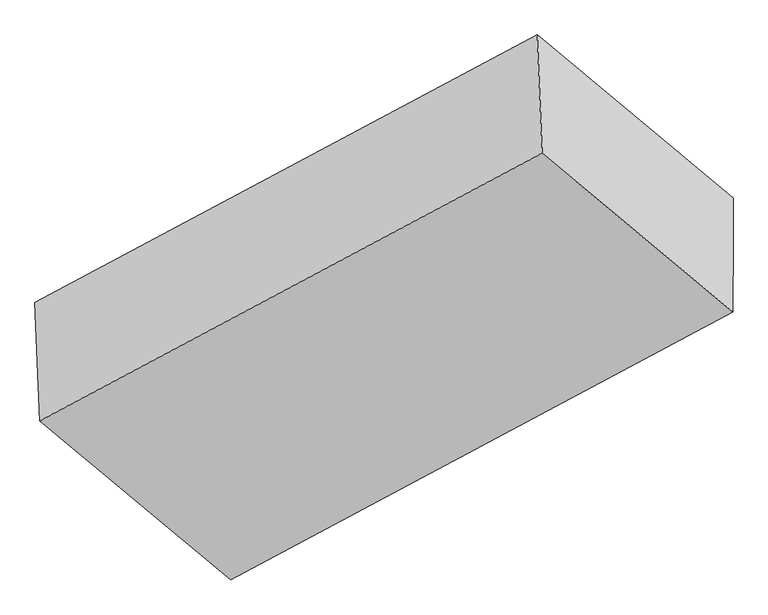
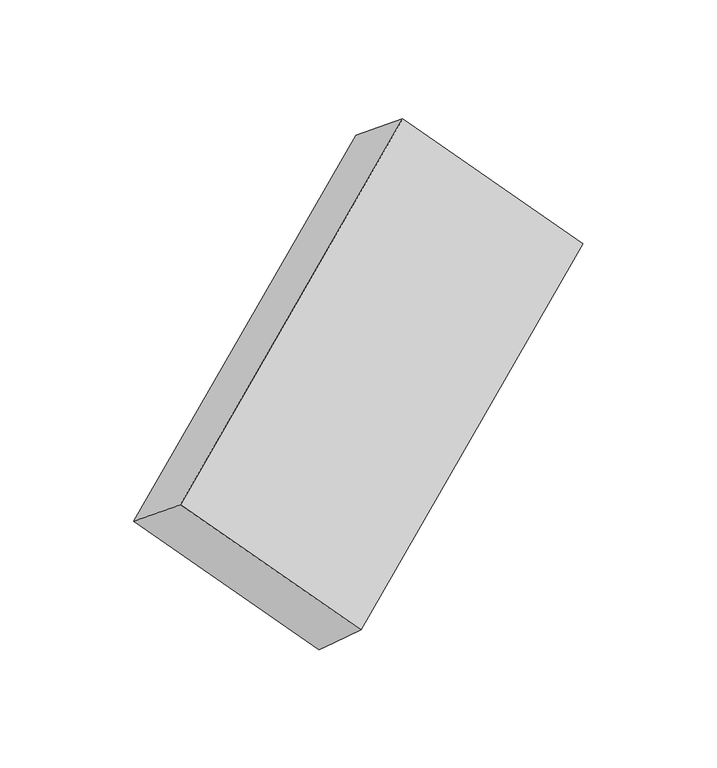
"""IFC4 building model written with IfcOpenShell, lengths in millimetres: proxy geometry."""

from ifc_helpers import new_model, si_unit, origin, place, context, project, spatial, faceted_brep, source, transform, mapped, element, save


def generic_models_756873c6(model_context):
    return source(origin(), model_context, "Body", "Brep", [
        faceted_brep([(-3810.3656817, -1569.3240441, 1590.8348059), (-3796.0149756, -1909.5875919, 1870.4197577), (-2352.9835996, -1140.2253657, 2732.6886312), (-2367.3343057, -799.9618179, 2453.1036793), (-3247.7900385, -2037.8750172, 1067.4146771), (-1804.7586624, -1268.512791, 1929.6835505), (-3247.9167082, -2157.1554494, 1174.0550186), (-1804.8853321, -1387.7932233, 2036.3238921), (-3248.1383801, -2365.8962058, 1360.6756164), (-1805.1070041, -1596.5339796, 2222.9444898)], [[[0, 1, 2, 3]], [[4, 0, 5]], [[6, 4, 5, 7]], [[8, 6, 7, 9]], [[1, 8, 9, 2]], [[7, 5, 3, 2, 9]], [[1, 0, 4, 6, 8]], [[3, 5, 0]]]),
    ])


if __name__ == "__main__":
    model = new_model("IFC4")
    model_context = context("Model", 3, world=origin())
    ifc_project = project(units=[si_unit("LENGTHUNIT", "METRE", prefix="MILLI")], contexts=[model_context])
    site = spatial("IfcSite", under=ifc_project)
    building = spatial("IfcBuilding", under=site)
    placement = place(None, origin())
    generic_models_shape = generic_models_756873c6(model_context)
    element("IfcBuildingElementProxy", 1, Name="Generic Models", at=placement, inside=building, context=model_context, shape_type="MappedRepresentation", body=[
        mapped(generic_models_shape, transform((0.0, 0.0, 0.0), x_axis=(1.0, 0.0, 0.0), y_axis=(0.0, 1.0, 0.0), z_axis=(0.0, 0.0, 1.0))),
    ])
    save(model, "model.ifc")
